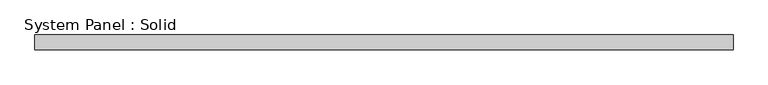
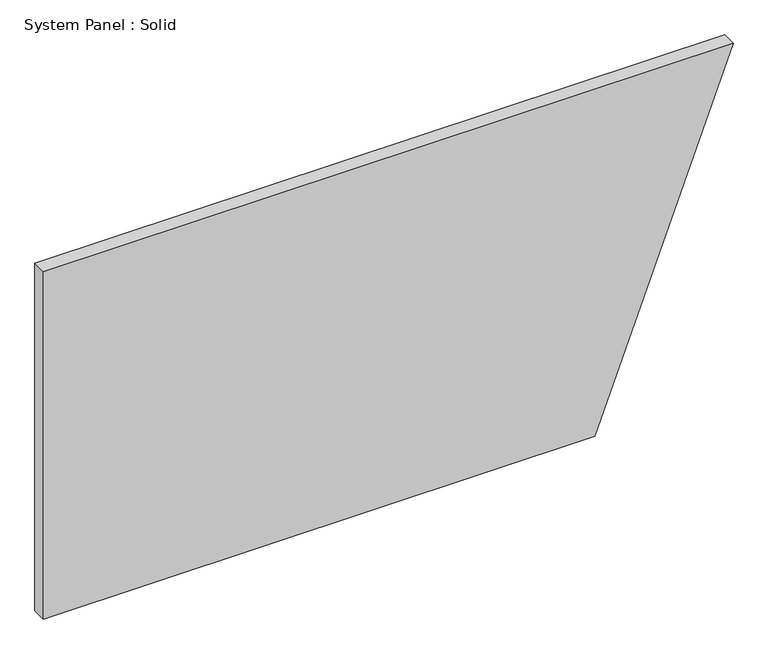
"""IFC4 building model written with IfcOpenShell, lengths in millimetres: plate geometry, System Panel : Solid."""

from ifc_helpers import new_model, si_unit, frame, origin, place, context, project, spatial, polyline, outline, extrude, source, transform, mapped, element, save


def system_panel_solid_6d8e8cbf(model_context):
    return source(origin(), model_context, "Body", "SweptSolid", [
        extrude(outline(polyline([(0.0, -1408.6823659), (0.0, 843.6083829), (1500.0, 1408.6823659), (1500.0, -1408.6823659), (0.0, -1408.6823659)])), frame((0.0, -10.5, 0.0), z_axis=(0.0, 1.0, 0.0), x_axis=(0.0, 0.0, 1.0)), (0.0, 0.0, 1.0), 60.0),
    ])


if __name__ == "__main__":
    model = new_model("IFC4")
    model_context = context("Model", 3, world=origin())
    ifc_project = project(units=[si_unit("LENGTHUNIT", "METRE", prefix="MILLI")], contexts=[model_context])
    site = spatial("IfcSite", under=ifc_project)
    building = spatial("IfcBuilding", under=site)
    placement = place(None, origin())
    system_panel_solid_shape = system_panel_solid_6d8e8cbf(model_context)
    element("IfcPlate", 1, ObjectType="System Panel : Solid", at=placement, inside=building, context=model_context, shape_type="MappedRepresentation", body=[
        mapped(system_panel_solid_shape, transform((0.0, 0.0, 0.0), x_axis=(1.0, 0.0, 0.0), y_axis=(0.0, 1.0, 0.0), z_axis=(0.0, 0.0, 1.0))),
    ])
    save(model, "model.ifc")
